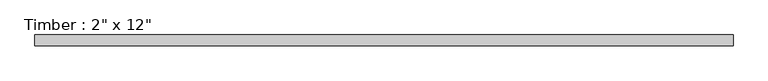
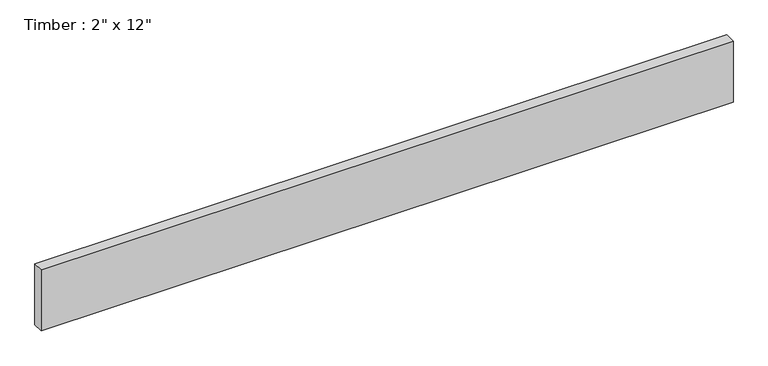
"""IFC4 building model written with IfcOpenShell, lengths in millimetres: beam geometry."""

import ifcopenshell
import ifcopenshell.guid

model = None  # the IFC model being written
_history = None  # IfcOwnerHistory: only IFC2X3 demands one
_inside = {}  # id of a spatial element -> (the spatial element, [elements in it])
_under = {}  # id of a project, library or spatial element -> (it, [spatial elements below it])
_declared = {}  # id of a project -> (the project, [libraries it declares])
_typed = {}  # id of a type object -> (the type object, [elements of that type])
_made_of = {}  # id of a material, layer set ... -> (it, [elements and type objects made of it])


def new_model(schema):
    """Start an empty IFC model of exactly this schema.

    Asked for "IFC4X3", IfcOpenShell would pick the latest addendum, in which some entities
    have other attributes; the version numbers below select the first issue.
    IFC2X3 requires an IfcOwnerHistory on every rooted entity: one is made here for all.
    """
    global model, _history
    if schema == "IFC4X3":
        model = ifcopenshell.file(schema_version=(4, 3, 0, 0))
    else:
        model = ifcopenshell.file(schema=schema)
    _inside.clear()
    _under.clear()
    _declared.clear()
    _typed.clear()
    _made_of.clear()
    _history = None
    if model.schema == "IFC2X3":
        org = make("IfcOrganization", Name="unknown")
        user = make(
            "IfcPersonAndOrganization",
            ThePerson=make("IfcPerson", FamilyName="unknown"),
            TheOrganization=org,
        )
        app = make(
            "IfcApplication",
            ApplicationDeveloper=org,
            Version="unknown",
            ApplicationFullName="unknown",
            ApplicationIdentifier="unknown",
        )
        _history = make(
            "IfcOwnerHistory",
            OwningUser=user,
            OwningApplication=app,
            ChangeAction="ADDED",
            CreationDate=0,
        )
    return model


def make(cls, **values):
    """One entity of the class cls with the attributes given. An attribute that is None is left unset."""
    return model.create_entity(
        cls, **{name: value for name, value in values.items() if value is not None}
    )


def rooted(cls, **values):
    """An entity with a GlobalId (a new one), such as an element, a storey or a relation."""
    return make(cls, GlobalId=ifcopenshell.guid.new(), OwnerHistory=_history, **values)


def si_unit(unit_type, name, prefix=None):
    """IfcSIUnit, for example si_unit("LENGTHUNIT", "METRE", prefix="MILLI")."""
    return make("IfcSIUnit", UnitType=unit_type, Prefix=prefix, Name=name)


def assignment(units):
    """IfcUnitAssignment: the units of a project."""
    return None if units is None else make("IfcUnitAssignment", Units=units)


def point(xyz):
    """IfcCartesianPoint."""
    return None if xyz is None else make("IfcCartesianPoint", Coordinates=xyz)


def direction(xyz):
    """IfcDirection."""
    return None if xyz is None else make("IfcDirection", DirectionRatios=xyz)


def frame(location, z_axis=None, x_axis=None):
    """IfcAxis2Placement3D, a coordinate frame: its origin and axes. An axis left out is left unset."""
    return make(
        "IfcAxis2Placement3D",
        Location=point(location),
        Axis=direction(z_axis),
        RefDirection=direction(x_axis),
    )


def origin():
    """The frame at (0, 0, 0) with its axes left unset."""
    return frame((0.0, 0.0, 0.0))


def place(relative_to, where):
    """IfcLocalPlacement: puts the frame where relative to a parent placement (None: the world)."""
    return make(
        "IfcLocalPlacement", PlacementRelTo=relative_to, RelativePlacement=where
    )


def context(
    kind, dimensions, precision=None, world=None, true_north=None, identifier=None
):
    """IfcGeometricRepresentationContext, for example the 3D "Model" context."""
    return make(
        "IfcGeometricRepresentationContext",
        ContextIdentifier=identifier,
        ContextType=kind,
        CoordinateSpaceDimension=dimensions,
        Precision=precision,
        WorldCoordinateSystem=world,
        TrueNorth=true_north,
    )


def project(units=None, contexts=None):
    """IfcProject with its units and contexts."""
    return rooted(
        "IfcProject",
        Name="project",
        RepresentationContexts=contexts,
        UnitsInContext=assignment(units),
    )


def spatial(cls, under=None, at=None, **own):
    """A site, building, storey or space (cls), placed at a placement, below another one or the project."""
    s = rooted(cls, ObjectPlacement=at, **own)
    if under is not None:
        _under.setdefault(under.id(), (under, []))[1].append(s)
    return s


def polyline(points):
    """IfcPolyline through the points."""
    return make("IfcPolyline", Points=[point(p) for p in points])


def outline(outer, holes=None, kind="AREA"):
    """IfcArbitraryClosedProfileDef: a profile drawn as a closed curve; with holes, ...WithVoids."""
    if holes is None:
        return make("IfcArbitraryClosedProfileDef", ProfileType=kind, OuterCurve=outer)
    return make(
        "IfcArbitraryProfileDefWithVoids",
        ProfileType=kind,
        OuterCurve=outer,
        InnerCurves=holes,
    )


def extrude(swept, where, along, depth):
    """IfcExtrudedAreaSolid: the profile swept, set in the frame where, extruded along a direction by depth."""
    return make(
        "IfcExtrudedAreaSolid",
        SweptArea=swept,
        Position=where,
        ExtrudedDirection=direction(along),
        Depth=depth,
    )


def shape(context_of_items, identifier, shape_type, items):
    """IfcShapeRepresentation: the items that make up one representation, for example the "Body"."""
    return make(
        "IfcShapeRepresentation",
        ContextOfItems=context_of_items,
        RepresentationIdentifier=identifier,
        RepresentationType=shape_type,
        Items=items,
    )


def source(mapping_origin, context_of_items, identifier, shape_type, items):
    """IfcRepresentationMap: a shape defined once, which mapped items show again and again."""
    return make(
        "IfcRepresentationMap",
        MappingOrigin=mapping_origin,
        MappedRepresentation=shape(context_of_items, identifier, shape_type, items),
    )


def transform(
    local_origin,
    x_axis=None,
    y_axis=None,
    z_axis=None,
    scale=None,
    scale2=None,
    scale3=None,
    uniform=True,
):
    """IfcCartesianTransformationOperator3D, or its non-uniform kind. x_axis, y_axis, z_axis: its Axis1, 2, 3."""
    if uniform:
        return make(
            "IfcCartesianTransformationOperator3D",
            Axis1=direction(x_axis),
            Axis2=direction(y_axis),
            LocalOrigin=point(local_origin),
            Scale=scale,
            Axis3=direction(z_axis),
        )
    return make(
        "IfcCartesianTransformationOperator3DnonUniform",
        Axis1=direction(x_axis),
        Axis2=direction(y_axis),
        LocalOrigin=point(local_origin),
        Scale=scale,
        Axis3=direction(z_axis),
        Scale2=scale2,
        Scale3=scale3,
    )


def mapped(mapping_source, mapping_target):
    """IfcMappedItem: shows the shape of a source again, moved by a transform."""
    return make(
        "IfcMappedItem", MappingSource=mapping_source, MappingTarget=mapping_target
    )


def made_of(thing, what):
    """Note that an element or type object is made of a material, layer set ...; save() writes the relation."""
    if what is not None:
        _made_of.setdefault(what.id(), (what, []))[1].append(thing)
    return thing


def element(
    cls,
    number,
    at=None,
    inside=None,
    cuts=None,
    type_object=None,
    material=None,
    context=None,
    identifier="Body",
    shape_type=None,
    held_by="IfcProductDefinitionShape",
    body=None,
    shapes=None,
    **own,
):
    """One element of the class cls, such as IfcWall. Its Tag is "e" and its number.

    at: its placement. inside: the storey or other place that contains it. cuts: it is an
    opening in that element (IfcRelVoidsElement). A single representation is given by context,
    identifier, shape_type and body (its items); several are given by shapes. held_by: the class
    of the entity that holds the representations. save() writes the other relations.
    """
    e = rooted(cls, Tag="e%d" % number, ObjectPlacement=at, **own)
    if body is not None:
        shapes = [shape(context, identifier, shape_type, body)]
    if shapes is not None:
        e.Representation = make(held_by, Representations=shapes)
    if inside is not None:
        _inside.setdefault(inside.id(), (inside, []))[1].append(e)
    if cuts is not None:
        rooted(
            "IfcRelVoidsElement", RelatingBuildingElement=cuts, RelatedOpeningElement=e
        )
    if type_object is not None:
        _typed.setdefault(type_object.id(), (type_object, []))[1].append(e)
    return made_of(e, material)


def aggregate(whole, parts):
    """IfcRelAggregates: a whole, such as a stair, and the parts it consists of."""
    return rooted("IfcRelAggregates", RelatingObject=whole, RelatedObjects=parts)


def save(model, path):
    """Write the relations noted so far, then the file.

    IfcRelAggregates (storeys below a building ...), IfcRelContainedInSpatialStructure (elements
    in a storey), IfcRelDefinesByType, IfcRelAssociatesMaterial and IfcRelDeclares: one each for
    every whole, place, type object, material and project.
    """
    for whole, parts in _under.values():
        aggregate(whole, parts)
    for where, things in _inside.values():
        rooted(
            "IfcRelContainedInSpatialStructure",
            RelatedElements=things,
            RelatingStructure=where,
        )
    for kind, things in _typed.values():
        rooted("IfcRelDefinesByType", RelatedObjects=things, RelatingType=kind)
    for what, things in _made_of.values():
        rooted("IfcRelAssociatesMaterial", RelatedObjects=things, RelatingMaterial=what)
    for by, libraries in _declared.values():
        rooted("IfcRelDeclares", RelatingContext=by, RelatedDefinitions=libraries)
    model.write(path)


def beam_2a5545b5(model_context):
    return source(origin(), model_context, "Body", "SweptSolid", [
        extrude(outline(polyline([(1633.9551705, 25.4), (1633.9551705, -25.4), (-1638.3, -25.4), (-1638.3, 25.4), (1633.9551705, 25.4)])), frame((0.0, 0.0, -152.4), z_axis=(0.0, 0.0, 1.0), x_axis=(1.0, 0.0, 0.0)), (0.0, 0.0, 1.0), 304.8),
    ])


if __name__ == "__main__":
    model = new_model("IFC4")
    model_context = context("Model", 3, world=origin())
    ifc_project = project(units=[si_unit("LENGTHUNIT", "METRE", prefix="MILLI")], contexts=[model_context])
    site = spatial("IfcSite", under=ifc_project)
    building = spatial("IfcBuilding", under=site)
    placement = place(None, origin())
    beam_shape = beam_2a5545b5(model_context)
    element("IfcBeam", 1, ObjectType="Timber : 2\" x 12\"", at=placement, inside=building, context=model_context, shape_type="MappedRepresentation", body=[
        mapped(beam_shape, transform((0.0, 0.0, 0.0), x_axis=(1.0, 0.0, 0.0), y_axis=(0.0, 1.0, 0.0), z_axis=(0.0, 0.0, 1.0))),
    ])
    save(model, "model.ifc")
